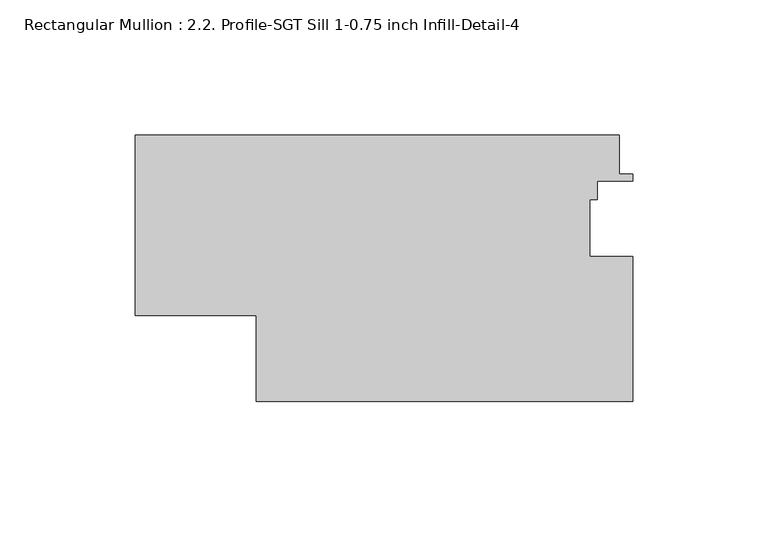
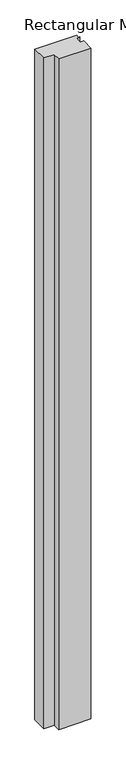
"""IFC4 building model written with IfcOpenShell, lengths in millimetres: member geometry, Rectangular Mullion : 2.2. Profile-SGT Sill 1-0.75 inch Infill-Detail-4."""

from ifc_helpers import new_model, si_unit, frame, origin, place, context, project, spatial, polyline, outline, extrude, source, transform, mapped, element, save


def rectangular_mullion_2_2_profile_sgt_sill_1_0_75_inch_infill_3f5df231(model_context):
    return source(origin(), model_context, "Body", "SweptSolid", [
        extrude(outline(polyline([(-4.8961046, 66.6751132), (-4.8961046, 52.2098118), (0.0, 52.2098118), (0.0, 49.6698119), (-13.0437992, 49.6698119), (-13.0437992, 42.8118121), (-15.8984045, 42.8118121), (-15.8984045, 21.8651629), (0.0, 21.8651629), (0.0, -31.7470993), (-139.1915475, -31.7499333), (-139.1921939, 0.0), (-183.844787, 0.0), (-183.844787, 66.6751132), (-4.8961046, 66.6751132)])), frame((0.0, 0.0, -3048.0), z_axis=(0.0, 0.0, 1.0), x_axis=(1.0, 0.0, 0.0)), (0.0, 0.0, 1.0), 3048.0),
    ])


if __name__ == "__main__":
    model = new_model("IFC4")
    model_context = context("Model", 3, world=origin())
    ifc_project = project(units=[si_unit("LENGTHUNIT", "METRE", prefix="MILLI")], contexts=[model_context])
    site = spatial("IfcSite", under=ifc_project)
    building = spatial("IfcBuilding", under=site)
    placement = place(None, origin())
    rectangular_mullion_2_2_profile_sgt_sill_1_0_75_inch_infill_shape = rectangular_mullion_2_2_profile_sgt_sill_1_0_75_inch_infill_3f5df231(model_context)
    element("IfcMember", 1, ObjectType="Rectangular Mullion : 2.2. Profile-SGT Sill 1-0.75 inch Infill-Detail-4", at=placement, inside=building, context=model_context, shape_type="MappedRepresentation", body=[
        mapped(rectangular_mullion_2_2_profile_sgt_sill_1_0_75_inch_infill_shape, transform((0.0, 0.0, 0.0), x_axis=(1.0, 0.0, 0.0), y_axis=(0.0, 1.0, 0.0), z_axis=(0.0, 0.0, 1.0))),
    ])
    save(model, "model.ifc")
